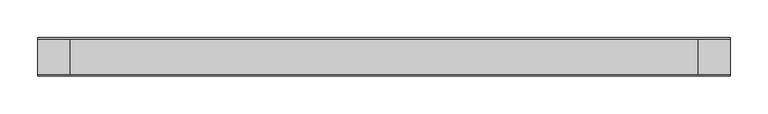
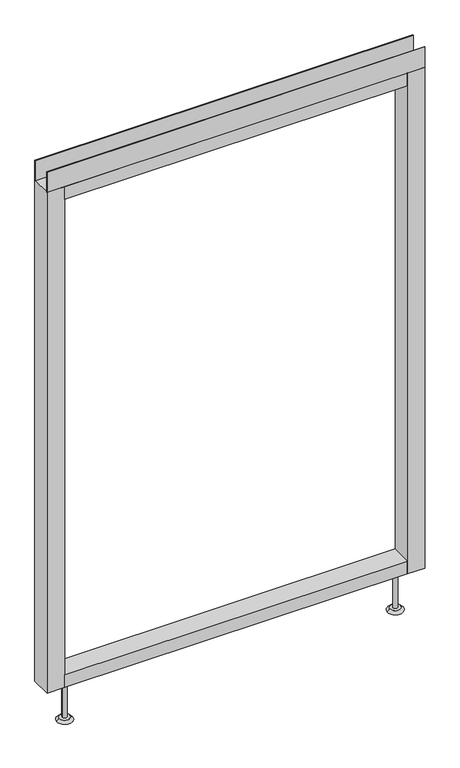
"""IFC4 building model written with IfcOpenShell, lengths in millimetres: furniture geometry."""

from ifc_helpers import new_model, si_unit, point, frame, frame_2d, origin, place, context, project, spatial, polyline, circle_curve, trimmed, segment, composite_curve, outline, extrude, source, transform, mapped, element, save
from ifc_brep_helpers import plane_surface, revolved_surface, advanced_brep


def furniture_101a2145(model_context):
    return source(origin(), model_context, "Body", "SolidModel", [
        advanced_brep(
        [(387.35, 0.0, 6.35), (412.75, 0.0, 6.35), (381.0, 0.0, 0.0), (419.1, 0.0, 0.0)],
        [
            (0, 1, circle_curve(frame((400.05, 0.0, 6.35), z_axis=(0.0, 0.0, 1.0), x_axis=(-1.0, 0.0, 0.0)), 12.7)),
            (1, 0, circle_curve(frame((400.05, 0.0, 6.35), z_axis=(0.0, 0.0, 1.0), x_axis=(1.0, 0.0, 0.0)), 12.7)),
            (2, 3, circle_curve(frame((400.05, 0.0, 0.0), z_axis=(0.0, 0.0, -1.0), x_axis=(1.0, 0.0, 0.0)), 19.05)),
            (3, 2, circle_curve(frame((400.05, 0.0, 0.0), z_axis=(0.0, 0.0, -1.0), x_axis=(-1.0, 0.0, 0.0)), 19.05)),
            (3, 1),
            (0, 2),
        ],
        [
            plane_surface(frame((400.05, 0.0, 6.35), z_axis=(0.0, 0.0, 1.0), x_axis=(0.0, -1.0, 0.0))),
            plane_surface(frame((400.05, 0.0, 0.0), z_axis=(0.0, 0.0, -1.0), x_axis=(0.0, -1.0, 0.0))),
            revolved_surface(polyline([(387.35, 0.0, 6.35), (381.0, 0.0, 0.0)]), (400.05, 0.0, 19.05), (0.0, 0.0, -1.0)),
            revolved_surface(polyline([(412.75, 0.0, 6.35), (419.1, 0.0, 0.0)]), (400.05, 0.0, 19.05), (0.0, 0.0, -1.0)),
        ],
        [
            (0, [[1, 2]]),
            (1, [[3, 4]]),
            (2, [[-4, 5, -1, 6]]),
            (3, [[-3, -6, -2, -5]]),
        ],
    ),
        advanced_brep(
        [(-412.75, 0.0, 6.35), (-387.35, 0.0, 6.35), (-419.1, 0.0, 0.0), (-381.0, 0.0, 0.0)],
        [
            (0, 1, circle_curve(frame((-400.05, 0.0, 6.35), z_axis=(0.0, 0.0, 1.0), x_axis=(-1.0, 0.0, 0.0)), 12.7)),
            (1, 0, circle_curve(frame((-400.05, 0.0, 6.35), z_axis=(0.0, 0.0, 1.0), x_axis=(1.0, 0.0, 0.0)), 12.7)),
            (2, 3, circle_curve(frame((-400.05, 0.0, 0.0), z_axis=(0.0, 0.0, -1.0), x_axis=(1.0, 0.0, 0.0)), 19.05)),
            (3, 2, circle_curve(frame((-400.05, 0.0, 0.0), z_axis=(0.0, 0.0, -1.0), x_axis=(-1.0, 0.0, 0.0)), 19.05)),
            (3, 1),
            (0, 2),
        ],
        [
            plane_surface(frame((-400.05, 0.0, 6.35), z_axis=(0.0, 0.0, 1.0), x_axis=(0.0, -1.0, 0.0))),
            plane_surface(frame((-400.05, 0.0, 0.0), z_axis=(0.0, 0.0, -1.0), x_axis=(0.0, -1.0, 0.0))),
            revolved_surface(polyline([(-412.75, 0.0, 6.35), (-419.1, 0.0, 0.0)]), (-400.05, 0.0, 19.05), (0.0, 0.0, -1.0)),
            revolved_surface(polyline([(-387.35, 0.0, 6.35), (-381.0, 0.0, 0.0)]), (-400.05, 0.0, 19.05), (0.0, 0.0, -1.0)),
        ],
        [
            (0, [[1, 2]]),
            (1, [[3, 4]]),
            (2, [[-4, 5, -1, 6]]),
            (3, [[-3, -6, -2, -5]]),
        ],
    ),
        extrude(outline(polyline([(457.2, -23.8125), (457.2, -25.4), (-457.2, -25.4), (-457.2, -23.8125), (457.2, -23.8125)])), frame((0.0, 0.0, 1381.633), z_axis=(0.0, 0.0, 1.0), x_axis=(1.0, 0.0, 0.0)), (0.0, 0.0, 1.0), 51.435),
        extrude(outline(polyline([(457.2, 25.4), (457.2, 23.8125), (-457.2, 23.8125), (-457.2, 25.4), (457.2, 25.4)])), frame((0.0, 0.0, 1381.633), z_axis=(0.0, 0.0, 1.0), x_axis=(1.0, 0.0, 0.0)), (0.0, 0.0, 1.0), 51.435),
        extrude(outline(polyline([(414.3375, -25.4), (-414.3375, -25.4), (-414.3375, 25.4), (414.3375, 25.4), (414.3375, -25.4)])), frame((0.0, 0.0, 1348.74), z_axis=(0.0, 0.0, 1.0), x_axis=(1.0, 0.0, 0.0)), (0.0, 0.0, 1.0), 32.893),
        extrude(outline(polyline([(414.3375, -25.4), (-414.3375, -25.4), (-414.3375, 25.4), (414.3375, 25.4), (414.3375, -25.4)])), frame((0.0, 0.0, 101.6), z_axis=(0.0, 0.0, 1.0), x_axis=(1.0, 0.0, 0.0)), (0.0, 0.0, 1.0), 32.893),
        extrude(outline(composite_curve([segment(trimmed(circle_curve(frame_2d((-400.05, 0.0)), 5.55625), [point((-405.60625, 0.0))], [point((-394.49375, 0.0))], False, "CARTESIAN"), True, "CONTINUOUS"), segment(trimmed(circle_curve(frame_2d((-400.05, 0.0)), 5.55625), [point((-394.49375, 0.0))], [point((-405.60625, 0.0))], False, "CARTESIAN"), True, "CONTINUOUS")], self_intersect=False)), frame((0.0, 0.0, 6.35), z_axis=(0.0, 0.0, 1.0), x_axis=(1.0, 0.0, 0.0)), (0.0, 0.0, 1.0), 95.25),
        extrude(outline(composite_curve([segment(trimmed(circle_curve(frame_2d((400.05, 0.0)), 5.55625), [point((394.49375, 0.0))], [point((405.60625, 0.0))], False, "CARTESIAN"), True, "CONTINUOUS"), segment(trimmed(circle_curve(frame_2d((400.05, 0.0)), 5.55625), [point((405.60625, 0.0))], [point((394.49375, 0.0))], False, "CARTESIAN"), True, "CONTINUOUS")], self_intersect=False)), frame((0.0, 0.0, 6.35), z_axis=(0.0, 0.0, 1.0), x_axis=(1.0, 0.0, 0.0)), (0.0, 0.0, 1.0), 95.25),
        extrude(outline(polyline([(-414.3375, -25.4), (-457.2, -25.4), (-457.2, 25.4), (-414.3375, 25.4), (-414.3375, -25.4)])), frame((0.0, 0.0, 101.6), z_axis=(0.0, 0.0, 1.0), x_axis=(1.0, 0.0, 0.0)), (0.0, 0.0, 1.0), 1280.033),
        extrude(outline(polyline([(457.2, -25.4), (414.3375, -25.4), (414.3375, 25.4), (457.2, 25.4), (457.2, -25.4)])), frame((0.0, 0.0, 101.6), z_axis=(0.0, 0.0, 1.0), x_axis=(1.0, 0.0, 0.0)), (0.0, 0.0, 1.0), 1280.033),
    ])


if __name__ == "__main__":
    model = new_model("IFC4")
    model_context = context("Model", 3, world=origin())
    ifc_project = project(units=[si_unit("LENGTHUNIT", "METRE", prefix="MILLI")], contexts=[model_context])
    site = spatial("IfcSite", under=ifc_project)
    building = spatial("IfcBuilding", under=site)
    placement = place(None, origin())
    furniture_shape = furniture_101a2145(model_context)
    element("IfcFurniture", 1, at=placement, inside=building, context=model_context, shape_type="MappedRepresentation", body=[
        mapped(furniture_shape, transform((0.0, 0.0, 0.0), x_axis=(1.0, 0.0, 0.0), y_axis=(0.0, 1.0, 0.0), z_axis=(0.0, 0.0, 1.0))),
    ])
    save(model, "model.ifc")
